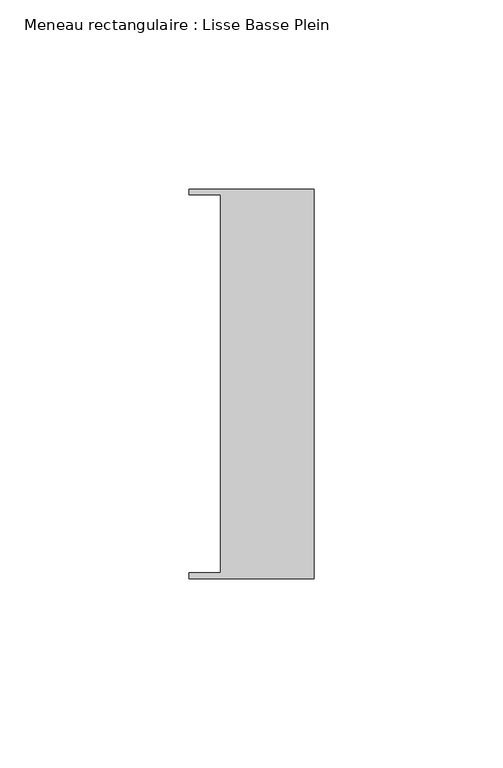
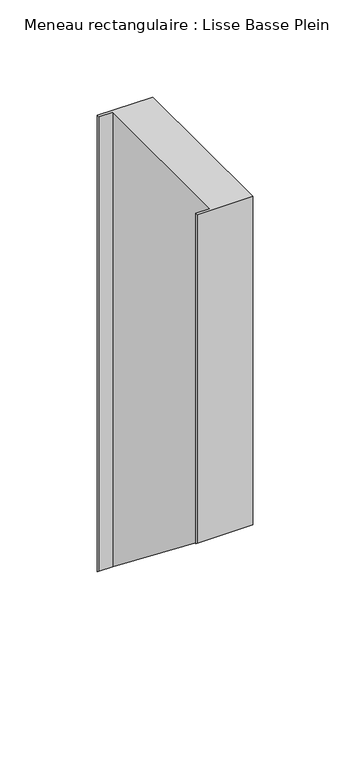
"""IFC4 building model written with IfcOpenShell, lengths in millimetres: member geometry, Meneau rectangulaire : Lisse Basse Plein."""

from ifc_helpers import new_model, si_unit, origin, place, context, project, spatial, faceted_brep, source, transform, mapped, element, save


def meneau_rectangulaire_lisse_basse_plein_ddfec5f9(model_context):
    return source(origin(), model_context, "Body", "Brep", [
        faceted_brep([(0.0, -51.5026203, 0.0), (0.0, 51.5026203, 0.0), (-33.0710396, 51.5026203, 0.0), (-33.0710396, 49.9505686, 0.0), (-24.7130865, 49.9505686, 0.0), (-24.7130865, -49.9505686, 0.0), (-33.0710396, -49.9505686, 0.0), (-33.0710396, -51.5026203, 0.0), (0.0, -51.5026203, -206.4995629), (0.0, 51.5026203, -286.8147325), (-33.0710396, 51.5026203, -286.8147325), (-33.0710396, 49.9505686, -285.604568), (-24.7130865, 49.9505686, -285.604568), (-24.7130865, -49.9505686, -207.7097275), (-33.0710396, -49.9505686, -207.7097275), (-33.0710396, -51.5026203, -206.4995629)], [[[0, 1, 2, 3, 4, 5, 6, 7]], [[1, 0, 8, 9]], [[2, 1, 9, 10]], [[3, 2, 10, 11]], [[4, 3, 11, 12]], [[5, 4, 12, 13]], [[6, 5, 13, 14]], [[7, 6, 14, 15]], [[0, 7, 15, 8]], [[8, 15, 14, 13, 12, 11, 10, 9]]]),
    ])


if __name__ == "__main__":
    model = new_model("IFC4")
    model_context = context("Model", 3, world=origin())
    ifc_project = project(units=[si_unit("LENGTHUNIT", "METRE", prefix="MILLI")], contexts=[model_context])
    site = spatial("IfcSite", under=ifc_project)
    building = spatial("IfcBuilding", under=site)
    placement = place(None, origin())
    meneau_rectangulaire_lisse_basse_plein_shape = meneau_rectangulaire_lisse_basse_plein_ddfec5f9(model_context)
    element("IfcMember", 1, ObjectType="Meneau rectangulaire : Lisse Basse Plein", at=placement, inside=building, context=model_context, shape_type="MappedRepresentation", body=[
        mapped(meneau_rectangulaire_lisse_basse_plein_shape, transform((0.0, 0.0, 0.0), x_axis=(1.0, 0.0, 0.0), y_axis=(0.0, 1.0, 0.0), z_axis=(0.0, 0.0, 1.0))),
    ])
    save(model, "model.ifc")
